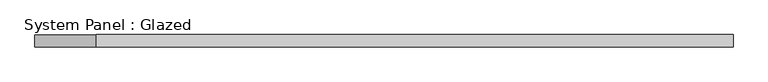
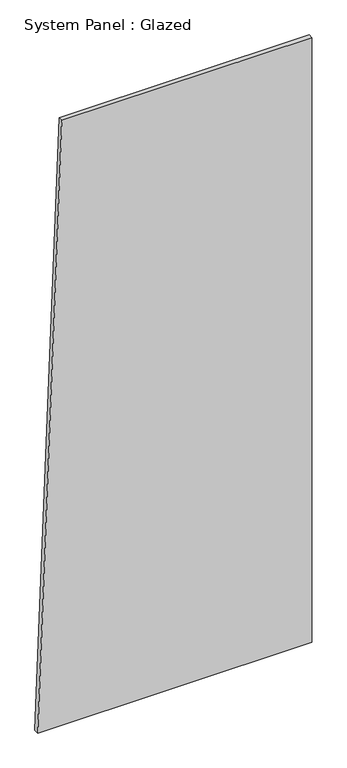
"""IFC4 building model written with IfcOpenShell, lengths in millimetres: plate geometry, System Panel : Glazed."""

from ifc_helpers import new_model, si_unit, frame, origin, place, context, project, spatial, polyline, outline, extrude, source, transform, mapped, element, save


def system_panel_glazed_f8c3abdc(model_context):
    return source(origin(), model_context, "Body", "SweptSolid", [
        extrude(outline(polyline([(0.0, -714.7878765), (0.0, 714.7878765), (3333.2590354, 714.7878765), (3333.2590354, -589.0090434), (0.0, -714.7878765)])), frame((0.0, -49.5, 0.0), z_axis=(0.0, 1.0, 0.0), x_axis=(0.0, 0.0, 1.0)), (0.0, 0.0, 1.0), 25.0),
    ])


if __name__ == "__main__":
    model = new_model("IFC4")
    model_context = context("Model", 3, world=origin())
    ifc_project = project(units=[si_unit("LENGTHUNIT", "METRE", prefix="MILLI")], contexts=[model_context])
    site = spatial("IfcSite", under=ifc_project)
    building = spatial("IfcBuilding", under=site)
    placement = place(None, origin())
    system_panel_glazed_shape = system_panel_glazed_f8c3abdc(model_context)
    element("IfcPlate", 1, ObjectType="System Panel : Glazed", at=placement, inside=building, context=model_context, shape_type="MappedRepresentation", body=[
        mapped(system_panel_glazed_shape, transform((0.0, 0.0, 0.0), x_axis=(1.0, 0.0, 0.0), y_axis=(0.0, 1.0, 0.0), z_axis=(0.0, 0.0, 1.0))),
    ])
    save(model, "model.ifc")
